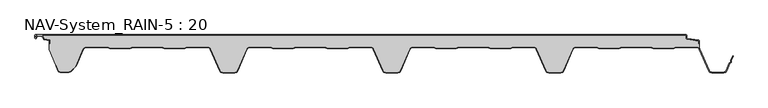
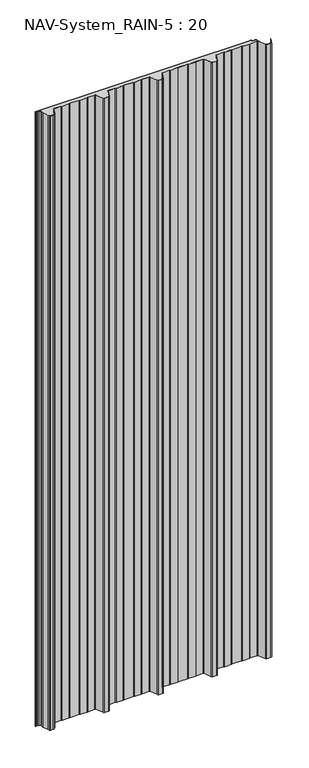
"""IFC4 building model written with IfcOpenShell, lengths in millimetres: plate geometry, NAV-System_RAIN-5 : 20."""

from ifc_helpers import new_model, si_unit, point, frame_2d, origin, origin_with_axes, place, context, project, spatial, polyline, circle_curve, trimmed, segment, composite_curve, outline, extrude, source, transform, mapped, element, save


def nav_system_rain_5_20_a34246a2(model_context):
    return source(origin(), model_context, "Body", "SweptSolid", [
        extrude(outline(composite_curve([segment(polyline([(519.0, -13.6767555), (518.2, -13.6767555), (518.2, -9.3721283), (500.4911207, -6.8818536)]), True, "CONTINUOUS"), segment(trimmed(circle_curve(frame_2d((500.7, -5.3964683)), 1.5), [point((500.4911207, -6.8818536))], [point((499.2, -5.3964683))], False, "CARTESIAN"), True, "CONTINUOUS"), segment(polyline([(499.2, -5.3964683), (499.2, -0.8), (-498.7, -0.8)]), True, "CONTINUOUS"), segment(trimmed(circle_curve(frame_2d((-498.7, -1.3)), 0.5), [point((-498.7, -0.8))], [point((-499.2, -1.3))], True, "CARTESIAN"), True, "CONTINUOUS"), segment(polyline([(-499.2, -1.3), (-499.2, -4.3700191)]), True, "CONTINUOUS"), segment(trimmed(circle_curve(frame_2d((-498.7, -4.3700191)), 0.5), [point((-499.2, -4.3700191))], [point((-498.2669873, -4.6200191))], True, "CARTESIAN"), True, "CONTINUOUS"), segment(polyline([(-498.2669873, -4.6200191), (-496.2924383, -1.2), (-488.9841833, -1.2), (-485.8164586, -6.6866602), (-477.2, -7.898332), (-477.2, -13.6767555), (-478.0, -13.6767555), (-478.0, -8.5937048), (-485.6863953, -7.5128213)]), True, "CONTINUOUS"), segment(trimmed(circle_curve(frame_2d((-485.5053666, -6.2254873)), 1.3), [point((-485.6863953, -7.5128213))], [point((-486.6311996, -6.8754873))], False, "CARTESIAN"), True, "CONTINUOUS"), segment(polyline([(-486.6311996, -6.8754873), (-489.4460636, -2.0), (-495.8305581, -2.0), (-497.574167, -5.0200191)]), True, "CONTINUOUS"), segment(trimmed(circle_curve(frame_2d((-498.7, -4.3700191)), 1.3), [point((-497.574167, -5.0200191))], [point((-500.0, -4.3700191))], False, "CARTESIAN"), True, "CONTINUOUS"), segment(polyline([(-500.0, -4.3700191), (-500.0, -1.3)]), True, "CONTINUOUS"), segment(trimmed(circle_curve(frame_2d((-498.7, -1.3)), 1.3), [point((-500.0, -1.3))], [point((-498.7, 0.0))], False, "CARTESIAN"), True, "CONTINUOUS"), segment(polyline([(-498.7, 0.0), (498.7, 0.0)]), True, "CONTINUOUS"), segment(trimmed(circle_curve(frame_2d((498.7, -1.3)), 1.3), [point((498.7, 0.0))], [point((500.0, -1.3))], False, "CARTESIAN"), True, "CONTINUOUS"), segment(polyline([(500.0, -1.3), (500.0, -5.3964683)]), True, "CONTINUOUS"), segment(trimmed(circle_curve(frame_2d((500.7, -5.3964683)), 0.7), [point((500.0, -5.3964683))], [point((500.602523, -6.0896481))], True, "CARTESIAN"), True, "CONTINUOUS"), segment(polyline([(500.602523, -6.0896481), (517.8810287, -8.5194024)]), True, "CONTINUOUS"), segment(trimmed(circle_curve(frame_2d((517.7, -9.8067363)), 1.3), [point((517.8810287, -8.5194024))], [point((519.0, -9.8067363))], False, "CARTESIAN"), True, "CONTINUOUS"), segment(polyline([(519.0, -9.8067363), (519.0, -13.6767555)]), True, "CONTINUOUS")], self_intersect=False)), origin_with_axes(), (0.0, 0.0, 1.0), 3000.0),
        extrude(outline(composite_curve([segment(trimmed(circle_curve(frame_2d((515.5898022, -24.0)), 4.8), [point((519.0, -20.6220493))], [point((515.5898022, -19.2))], True, "CARTESIAN"), True, "CONTINUOUS"), segment(polyline([(515.5898022, -19.2), (483.6922468, -19.2), (479.6508228, -20.7), (448.0723788, -20.6741102), (444.1768702, -19.2), (400.3589135, -19.2), (396.3174895, -20.7), (364.7390455, -20.6741102), (360.8435369, -19.2), (328.9416341, -19.2)]), True, "CONTINUOUS"), segment(trimmed(circle_curve(frame_2d((328.9416341, -24.0)), 4.8), [point((328.9416341, -19.2))], [point((324.5314363, -22.1052295))], True, "CARTESIAN"), True, "CONTINUOUS"), segment(polyline([(324.5314363, -22.1052295), (310.330878, -55.1579242)]), True, "CONTINUOUS"), segment(trimmed(circle_curve(frame_2d((306.4719549, -53.5)), 4.2), [point((310.330878, -55.1579242))], [point((306.4719549, -57.7))], False, "CARTESIAN"), True, "CONTINUOUS"), segment(polyline([(306.4719549, -57.7), (288.0594814, -57.7)]), True, "CONTINUOUS"), segment(trimmed(circle_curve(frame_2d((288.0594814, -53.5)), 4.2), [point((288.0594814, -57.7))], [point((284.2005583, -55.1579242))], False, "CARTESIAN"), True, "CONTINUOUS"), segment(polyline([(284.2005583, -55.1579242), (270.0, -22.1052295)]), True, "CONTINUOUS"), segment(trimmed(circle_curve(frame_2d((265.5898022, -24.0)), 4.8), [point((270.0, -22.1052295))], [point((265.5898022, -19.2))], True, "CARTESIAN"), True, "CONTINUOUS"), segment(polyline([(265.5898022, -19.2), (233.6922468, -19.2), (229.6508228, -20.7), (198.0723788, -20.6741102), (194.1768702, -19.2), (150.3589135, -19.2), (146.3174895, -20.7), (114.8074622, -20.7), (110.8435369, -19.2), (78.9416341, -19.2)]), True, "CONTINUOUS"), segment(trimmed(circle_curve(frame_2d((78.9416341, -24.0)), 4.8), [point((78.9416341, -19.2))], [point((74.5314363, -22.1052295))], True, "CARTESIAN"), True, "CONTINUOUS"), segment(polyline([(74.5314363, -22.1052295), (60.330878, -55.1579242)]), True, "CONTINUOUS"), segment(trimmed(circle_curve(frame_2d((56.4719549, -53.5)), 4.2), [point((60.330878, -55.1579242))], [point((56.4719549, -57.7))], False, "CARTESIAN"), True, "CONTINUOUS"), segment(polyline([(56.4719549, -57.7), (38.0594814, -57.7)]), True, "CONTINUOUS"), segment(trimmed(circle_curve(frame_2d((38.0594814, -53.5)), 4.2), [point((38.0594814, -57.7))], [point((34.2005583, -55.1579242))], False, "CARTESIAN"), True, "CONTINUOUS"), segment(polyline([(34.2005583, -55.1579242), (20.0, -22.1052295)]), True, "CONTINUOUS"), segment(trimmed(circle_curve(frame_2d((15.5898022, -24.0)), 4.8), [point((20.0, -22.1052295))], [point((15.5898022, -19.2))], True, "CARTESIAN"), True, "CONTINUOUS"), segment(polyline([(15.5898022, -19.2), (-16.3077532, -19.2), (-20.3491772, -20.7), (-51.9276212, -20.6741102), (-55.8231298, -19.2), (-99.6410865, -19.2), (-103.6825105, -20.7), (-135.1925378, -20.7), (-139.1564631, -19.2), (-171.0583659, -19.2)]), True, "CONTINUOUS"), segment(trimmed(circle_curve(frame_2d((-171.0583659, -24.0)), 4.8), [point((-171.0583659, -19.2))], [point((-175.4685637, -22.1052295))], True, "CARTESIAN"), True, "CONTINUOUS"), segment(polyline([(-175.4685637, -22.1052295), (-189.669122, -55.1579242)]), True, "CONTINUOUS"), segment(trimmed(circle_curve(frame_2d((-193.5280451, -53.5)), 4.2), [point((-189.669122, -55.1579242))], [point((-193.5280451, -57.7))], False, "CARTESIAN"), True, "CONTINUOUS"), segment(polyline([(-193.5280451, -57.7), (-211.9405186, -57.7)]), True, "CONTINUOUS"), segment(trimmed(circle_curve(frame_2d((-211.9405186, -53.5)), 4.2), [point((-211.9405186, -57.7))], [point((-215.7994417, -55.1579242))], False, "CARTESIAN"), True, "CONTINUOUS"), segment(polyline([(-215.7994417, -55.1579242), (-230.0, -22.1052295)]), True, "CONTINUOUS"), segment(trimmed(circle_curve(frame_2d((-234.4101978, -24.0)), 4.8), [point((-230.0, -22.1052295))], [point((-234.4101978, -19.2))], True, "CARTESIAN"), True, "CONTINUOUS"), segment(polyline([(-234.4101978, -19.2), (-266.3077532, -19.2), (-270.3491772, -20.7), (-301.9276212, -20.6741102), (-305.8231298, -19.2), (-349.6410865, -19.2), (-353.6825105, -20.7), (-385.1925378, -20.7), (-389.1564631, -19.2), (-421.9290751, -19.2)]), True, "CONTINUOUS"), segment(trimmed(circle_curve(frame_2d((-421.9290751, -24.0)), 4.8), [point((-421.9290751, -19.2))], [point((-426.3392729, -22.1052295))], True, "CARTESIAN"), True, "CONTINUOUS"), segment(polyline([(-426.3392729, -22.1052295), (-437.4245651, -47.9069459)]), True, "CONTINUOUS"), segment(trimmed(circle_curve(frame_2d((-441.2834882, -46.2490217)), 4.2), [point((-437.4245651, -47.9069459))], [point((-438.3136397, -49.2188701))], False, "CARTESIAN"), True, "CONTINUOUS"), segment(polyline([(-438.3136397, -49.2188701), (-444.764618, -55.6698485)]), True, "CONTINUOUS"), segment(trimmed(circle_curve(frame_2d((-447.7344665, -52.7)), 4.2), [point((-444.764618, -55.6698485))], [point((-447.7344665, -56.9))], False, "CARTESIAN"), True, "CONTINUOUS"), segment(polyline([(-447.7344665, -56.9), (-461.1405186, -56.9)]), True, "CONTINUOUS"), segment(trimmed(circle_curve(frame_2d((-461.1405186, -53.7)), 3.2), [point((-461.1405186, -56.9))], [point((-464.1022482, -54.9116756))], False, "CARTESIAN"), True, "CONTINUOUS"), segment(polyline([(-464.1022482, -54.9116756), (-467.6292254, -46.2905951), (-468.3696578, -46.593514), (-478.0, -23.053822), (-478.0, -13.6767555), (-477.2, -13.6767555), (-477.2, -7.898332), (-485.8164586, -6.6866602), (-488.9841833, -1.2), (-496.2924383, -1.2), (-498.2669873, -4.6200191)]), True, "CONTINUOUS"), segment(trimmed(circle_curve(frame_2d((-498.7, -4.3700191)), 0.5), [point((-498.2669873, -4.6200191))], [point((-499.2, -4.3700191))], False, "CARTESIAN"), True, "CONTINUOUS"), segment(polyline([(-499.2, -4.3700191), (-499.2, -1.3)]), True, "CONTINUOUS"), segment(trimmed(circle_curve(frame_2d((-498.7, -1.3)), 0.5), [point((-499.2, -1.3))], [point((-498.7, -0.8))], False, "CARTESIAN"), True, "CONTINUOUS"), segment(polyline([(-498.7, -0.8), (499.2, -0.8), (499.2, -5.3964683)]), True, "CONTINUOUS"), segment(trimmed(circle_curve(frame_2d((500.7, -5.3964683)), 1.5), [point((499.2, -5.3964683))], [point((500.4911207, -6.8818536))], True, "CARTESIAN"), True, "CONTINUOUS"), segment(polyline([(500.4911207, -6.8818536), (518.2, -9.3721283), (518.2, -13.6767555), (519.0, -13.6767555), (519.0, -20.6220493)]), True, "CONTINUOUS")], self_intersect=False)), origin_with_axes(), (0.0, 0.0, 1.0), 3000.0),
        extrude(outline(composite_curve([segment(polyline([(-464.8430228, -55.2145945), (-468.37, -46.593514), (-467.6295676, -46.2905951), (-464.1025904, -54.9116756)]), True, "CONTINUOUS"), segment(trimmed(circle_curve(frame_2d((-461.1408608, -53.7)), 3.2), [point((-464.1025904, -54.9116756))], [point((-461.1408608, -56.9))], True, "CARTESIAN"), True, "CONTINUOUS"), segment(polyline([(-461.1408608, -56.9), (-447.7348087, -56.9)]), True, "CONTINUOUS"), segment(trimmed(circle_curve(frame_2d((-447.7348087, -52.7)), 4.2), [point((-447.7348087, -56.9))], [point((-444.7649603, -55.6698485))], True, "CARTESIAN"), True, "CONTINUOUS"), segment(polyline([(-444.7649603, -55.6698485), (-438.3139819, -49.2188701)]), True, "CONTINUOUS"), segment(trimmed(circle_curve(frame_2d((-441.2838304, -46.2490217)), 4.2), [point((-438.3139819, -49.2188701))], [point((-437.4249073, -47.9069459))], True, "CARTESIAN"), True, "CONTINUOUS"), segment(polyline([(-437.4249073, -47.9069459), (-426.3396151, -22.1052295)]), True, "CONTINUOUS"), segment(trimmed(circle_curve(frame_2d((-421.9294173, -24.0)), 4.8), [point((-426.3396151, -22.1052295))], [point((-421.9294173, -19.2))], False, "CARTESIAN"), True, "CONTINUOUS"), segment(polyline([(-421.9294173, -19.2), (-389.1568054, -19.2), (-385.19288, -20.7), (-353.6828527, -20.7), (-349.6414287, -19.2), (-305.8234721, -19.2), (-301.9279634, -20.6741102), (-270.3495194, -20.7), (-266.3080954, -19.2), (-234.41054, -19.2)]), True, "CONTINUOUS"), segment(trimmed(circle_curve(frame_2d((-234.41054, -24.0)), 4.8), [point((-234.41054, -19.2))], [point((-230.0003422, -22.1052295))], False, "CARTESIAN"), True, "CONTINUOUS"), segment(polyline([(-230.0003422, -22.1052295), (-215.7997839, -55.1579242)]), True, "CONTINUOUS"), segment(trimmed(circle_curve(frame_2d((-211.9408608, -53.5)), 4.2), [point((-215.7997839, -55.1579242))], [point((-211.9408608, -57.7))], True, "CARTESIAN"), True, "CONTINUOUS"), segment(polyline([(-211.9408608, -57.7), (-193.5283873, -57.7)]), True, "CONTINUOUS"), segment(trimmed(circle_curve(frame_2d((-193.5283873, -53.5)), 4.2), [point((-193.5283873, -57.7))], [point((-189.6694642, -55.1579242))], True, "CARTESIAN"), True, "CONTINUOUS"), segment(polyline([(-189.6694642, -55.1579242), (-175.4689059, -22.1052295)]), True, "CONTINUOUS"), segment(trimmed(circle_curve(frame_2d((-171.0587081, -24.0)), 4.8), [point((-175.4689059, -22.1052295))], [point((-171.0587081, -19.2))], False, "CARTESIAN"), True, "CONTINUOUS"), segment(polyline([(-171.0587081, -19.2), (-139.1568054, -19.2), (-135.2612967, -20.6741102), (-103.6828527, -20.7), (-99.6414287, -19.2), (-55.8234721, -19.2), (-51.9279634, -20.6741102), (-20.3495194, -20.7), (-16.3080954, -19.2), (15.58946, -19.2)]), True, "CONTINUOUS"), segment(trimmed(circle_curve(frame_2d((15.58946, -24.0)), 4.8), [point((15.58946, -19.2))], [point((19.9996578, -22.1052295))], False, "CARTESIAN"), True, "CONTINUOUS"), segment(polyline([(19.9996578, -22.1052295), (34.2002161, -55.1579242)]), True, "CONTINUOUS"), segment(trimmed(circle_curve(frame_2d((38.0591392, -53.5)), 4.2), [point((34.2002161, -55.1579242))], [point((38.0591392, -57.7))], True, "CARTESIAN"), True, "CONTINUOUS"), segment(polyline([(38.0591392, -57.7), (56.4716127, -57.7)]), True, "CONTINUOUS"), segment(trimmed(circle_curve(frame_2d((56.4716127, -53.5)), 4.2), [point((56.4716127, -57.7))], [point((60.3305358, -55.1579242))], True, "CARTESIAN"), True, "CONTINUOUS"), segment(polyline([(60.3305358, -55.1579242), (74.5310941, -22.1052295)]), True, "CONTINUOUS"), segment(trimmed(circle_curve(frame_2d((78.9412919, -24.0)), 4.8), [point((74.5310941, -22.1052295))], [point((78.9412919, -19.2))], False, "CARTESIAN"), True, "CONTINUOUS"), segment(polyline([(78.9412919, -19.2), (110.8431946, -19.2), (114.7387033, -20.6741102), (146.3171473, -20.7), (150.3585713, -19.2), (194.1765279, -19.2), (198.0720366, -20.6741102), (229.6504806, -20.7), (233.6919046, -19.2), (265.58946, -19.2)]), True, "CONTINUOUS"), segment(trimmed(circle_curve(frame_2d((265.58946, -24.0)), 4.8), [point((265.58946, -19.2))], [point((269.9996578, -22.1052295))], False, "CARTESIAN"), True, "CONTINUOUS"), segment(polyline([(269.9996578, -22.1052295), (284.2002161, -55.1579242)]), True, "CONTINUOUS"), segment(trimmed(circle_curve(frame_2d((288.0591392, -53.5)), 4.2), [point((284.2002161, -55.1579242))], [point((288.0591392, -57.7))], True, "CARTESIAN"), True, "CONTINUOUS"), segment(polyline([(288.0591392, -57.7), (306.4716127, -57.7)]), True, "CONTINUOUS"), segment(trimmed(circle_curve(frame_2d((306.4716127, -53.5)), 4.2), [point((306.4716127, -57.7))], [point((310.3305358, -55.1579242))], True, "CARTESIAN"), True, "CONTINUOUS"), segment(polyline([(310.3305358, -55.1579242), (324.5310941, -22.1052295)]), True, "CONTINUOUS"), segment(trimmed(circle_curve(frame_2d((328.9412919, -24.0)), 4.8), [point((324.5310941, -22.1052295))], [point((328.9412919, -19.2))], False, "CARTESIAN"), True, "CONTINUOUS"), segment(polyline([(328.9412919, -19.2), (360.8431946, -19.2), (364.7387033, -20.6741102), (396.3171473, -20.7), (400.3585713, -19.2), (444.1765279, -19.2), (448.0720366, -20.6741102), (479.6504806, -20.7), (483.6919046, -19.2), (515.58946, -19.2)]), True, "CONTINUOUS"), segment(trimmed(circle_curve(frame_2d((515.58946, -24.0)), 4.8), [point((515.58946, -19.2))], [point((519.9996578, -22.1052295))], False, "CARTESIAN"), True, "CONTINUOUS"), segment(polyline([(519.9996578, -22.1052295), (534.2002161, -55.1579242)]), True, "CONTINUOUS"), segment(trimmed(circle_curve(frame_2d((538.0591392, -53.5)), 4.2), [point((534.2002161, -55.1579242))], [point((538.0591392, -57.7))], True, "CARTESIAN"), True, "CONTINUOUS"), segment(polyline([(538.0591392, -57.7), (556.4716127, -57.7)]), True, "CONTINUOUS"), segment(trimmed(circle_curve(frame_2d((556.4716127, -53.5)), 4.2), [point((556.4716127, -57.7))], [point((560.3305358, -55.1579242))], True, "CARTESIAN"), True, "CONTINUOUS"), segment(polyline([(560.3305358, -55.1579242), (565.2356202, -43.741031), (567.1121268, -42.0654564), (567.0358547, -39.5508717), (570.0831709, -32.458051), (570.8182039, -32.7738461), (567.8408612, -39.703799), (567.9230626, -42.4138642), (565.9006789, -44.2196957), (561.0655687, -55.4737193)]), True, "CONTINUOUS"), segment(trimmed(circle_curve(frame_2d((556.4716127, -53.5)), 5.0), [point((561.0655687, -55.4737193))], [point((556.4716127, -58.5))], False, "CARTESIAN"), True, "CONTINUOUS"), segment(polyline([(556.4716127, -58.5), (538.0591392, -58.5)]), True, "CONTINUOUS"), segment(trimmed(circle_curve(frame_2d((538.0591392, -53.5)), 5.0), [point((538.0591392, -58.5))], [point((533.4651831, -55.4737193))], False, "CARTESIAN"), True, "CONTINUOUS"), segment(polyline([(533.4651831, -55.4737193), (519.2646248, -22.4210246)]), True, "CONTINUOUS"), segment(trimmed(circle_curve(frame_2d((515.58946, -24.0)), 4.0), [point((519.2646248, -22.4210246))], [point((515.58946, -20.0))], True, "CARTESIAN"), True, "CONTINUOUS"), segment(polyline([(515.58946, -20.0), (483.8338601, -20.0), (479.8699347, -21.5), (447.9941505, -21.5), (444.0302251, -20.0), (400.5005268, -20.0), (396.5366014, -21.5), (364.6608172, -21.5), (360.6968918, -20.0), (328.9412919, -20.0)]), True, "CONTINUOUS"), segment(trimmed(circle_curve(frame_2d((328.9412919, -24.0)), 4.0), [point((328.9412919, -20.0))], [point((325.2661271, -22.4210246))], True, "CARTESIAN"), True, "CONTINUOUS"), segment(polyline([(325.2661271, -22.4210246), (311.0655687, -55.4737193)]), True, "CONTINUOUS"), segment(trimmed(circle_curve(frame_2d((306.4716127, -53.5)), 5.0), [point((311.0655687, -55.4737193))], [point((306.4716127, -58.5))], False, "CARTESIAN"), True, "CONTINUOUS"), segment(polyline([(306.4716127, -58.5), (288.0591392, -58.5)]), True, "CONTINUOUS"), segment(trimmed(circle_curve(frame_2d((288.0591392, -53.5)), 5.0), [point((288.0591392, -58.5))], [point((283.4651831, -55.4737193))], False, "CARTESIAN"), True, "CONTINUOUS"), segment(polyline([(283.4651831, -55.4737193), (269.2646248, -22.4210246)]), True, "CONTINUOUS"), segment(trimmed(circle_curve(frame_2d((265.58946, -24.0)), 4.0), [point((269.2646248, -22.4210246))], [point((265.58946, -20.0))], True, "CARTESIAN"), True, "CONTINUOUS"), segment(polyline([(265.58946, -20.0), (233.8338601, -20.0), (229.8699347, -21.5), (197.9941505, -21.5), (194.0302251, -20.0), (150.5005268, -20.0), (146.5366014, -21.5), (114.6608172, -21.5), (110.6968918, -20.0), (78.9412919, -20.0)]), True, "CONTINUOUS"), segment(trimmed(circle_curve(frame_2d((78.9412919, -24.0)), 4.0), [point((78.9412919, -20.0))], [point((75.2661271, -22.4210246))], True, "CARTESIAN"), True, "CONTINUOUS"), segment(polyline([(75.2661271, -22.4210246), (61.0655687, -55.4737193)]), True, "CONTINUOUS"), segment(trimmed(circle_curve(frame_2d((56.4716127, -53.5)), 5.0), [point((61.0655687, -55.4737193))], [point((56.4716127, -58.5))], False, "CARTESIAN"), True, "CONTINUOUS"), segment(polyline([(56.4716127, -58.5), (38.0591392, -58.5)]), True, "CONTINUOUS"), segment(trimmed(circle_curve(frame_2d((38.0591392, -53.5)), 5.0), [point((38.0591392, -58.5))], [point((33.4651831, -55.4737193))], False, "CARTESIAN"), True, "CONTINUOUS"), segment(polyline([(33.4651831, -55.4737193), (19.2646248, -22.4210246)]), True, "CONTINUOUS"), segment(trimmed(circle_curve(frame_2d((15.58946, -24.0)), 4.0), [point((19.2646248, -22.4210246))], [point((15.58946, -20.0))], True, "CARTESIAN"), True, "CONTINUOUS"), segment(polyline([(15.58946, -20.0), (-16.1661399, -20.0), (-20.1300653, -21.5), (-52.0058495, -21.5), (-55.9697749, -20.0), (-99.4994732, -20.0), (-103.4633986, -21.5), (-135.3391828, -21.5), (-139.3031082, -20.0), (-171.0587081, -20.0)]), True, "CONTINUOUS"), segment(trimmed(circle_curve(frame_2d((-171.0587081, -24.0)), 4.0), [point((-171.0587081, -20.0))], [point((-174.7338729, -22.4210246))], True, "CARTESIAN"), True, "CONTINUOUS"), segment(polyline([(-174.7338729, -22.4210246), (-188.9344313, -55.4737193)]), True, "CONTINUOUS"), segment(trimmed(circle_curve(frame_2d((-193.5283873, -53.5)), 5.0), [point((-188.9344313, -55.4737193))], [point((-193.5283873, -58.5))], False, "CARTESIAN"), True, "CONTINUOUS"), segment(polyline([(-193.5283873, -58.5), (-211.9408608, -58.5)]), True, "CONTINUOUS"), segment(trimmed(circle_curve(frame_2d((-211.9408608, -53.5)), 5.0), [point((-211.9408608, -58.5))], [point((-216.5348169, -55.4737193))], False, "CARTESIAN"), True, "CONTINUOUS"), segment(polyline([(-216.5348169, -55.4737193), (-230.7353752, -22.4210246)]), True, "CONTINUOUS"), segment(trimmed(circle_curve(frame_2d((-234.41054, -24.0)), 4.0), [point((-230.7353752, -22.4210246))], [point((-234.41054, -20.0))], True, "CARTESIAN"), True, "CONTINUOUS"), segment(polyline([(-234.41054, -20.0), (-266.1661399, -20.0), (-270.1300653, -21.5), (-302.0058495, -21.5), (-305.9697749, -20.0), (-349.4994732, -20.0), (-353.4633986, -21.5), (-385.3391828, -21.5), (-389.3031082, -20.0), (-421.9294173, -20.0)]), True, "CONTINUOUS"), segment(trimmed(circle_curve(frame_2d((-421.9294173, -24.0)), 4.0), [point((-421.9294173, -20.0))], [point((-425.6045822, -22.4210246))], True, "CARTESIAN"), True, "CONTINUOUS"), segment(polyline([(-425.6045822, -22.4210246), (-436.6898744, -48.2227409)]), True, "CONTINUOUS"), segment(trimmed(circle_curve(frame_2d((-441.2838304, -46.2490217)), 5.0), [point((-436.6898744, -48.2227409))], [point((-437.7482965, -49.7845556))], False, "CARTESIAN"), True, "CONTINUOUS"), segment(polyline([(-437.7482965, -49.7845556), (-444.1992748, -56.2355339)]), True, "CONTINUOUS"), segment(trimmed(circle_curve(frame_2d((-447.7348087, -52.7)), 5.0), [point((-444.1992748, -56.2355339))], [point((-447.7348087, -57.7))], False, "CARTESIAN"), True, "CONTINUOUS"), segment(polyline([(-447.7348087, -57.7), (-461.1408608, -57.7)]), True, "CONTINUOUS"), segment(trimmed(circle_curve(frame_2d((-461.1408608, -53.7)), 4.0), [point((-461.1408608, -57.7))], [point((-464.8430228, -55.2145945))], False, "CARTESIAN"), True, "CONTINUOUS")], self_intersect=False)), origin_with_axes(), (0.0, 0.0, 1.0), 3000.0),
    ])


if __name__ == "__main__":
    model = new_model("IFC4")
    model_context = context("Model", 3, world=origin())
    ifc_project = project(units=[si_unit("LENGTHUNIT", "METRE", prefix="MILLI")], contexts=[model_context])
    site = spatial("IfcSite", under=ifc_project)
    building = spatial("IfcBuilding", under=site)
    placement = place(None, origin())
    nav_system_rain_5_20_shape = nav_system_rain_5_20_a34246a2(model_context)
    element("IfcPlate", 1, ObjectType="NAV-System_RAIN-5 : 20", at=placement, inside=building, context=model_context, shape_type="MappedRepresentation", body=[
        mapped(nav_system_rain_5_20_shape, transform((0.0, 0.0, 0.0), x_axis=(1.0, 0.0, 0.0), y_axis=(0.0, 1.0, 0.0), z_axis=(0.0, 0.0, 1.0))),
    ])
    save(model, "model.ifc")
